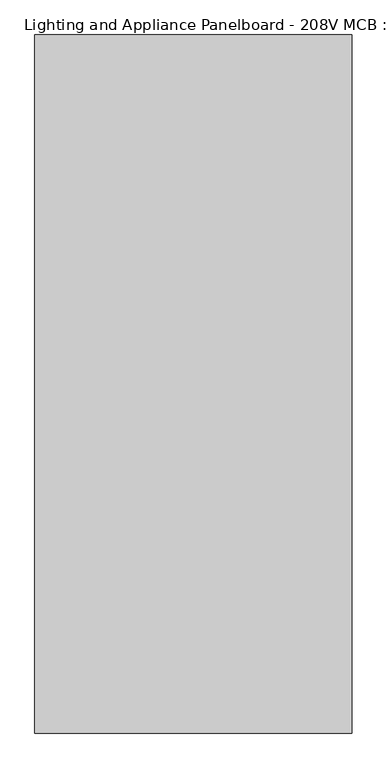
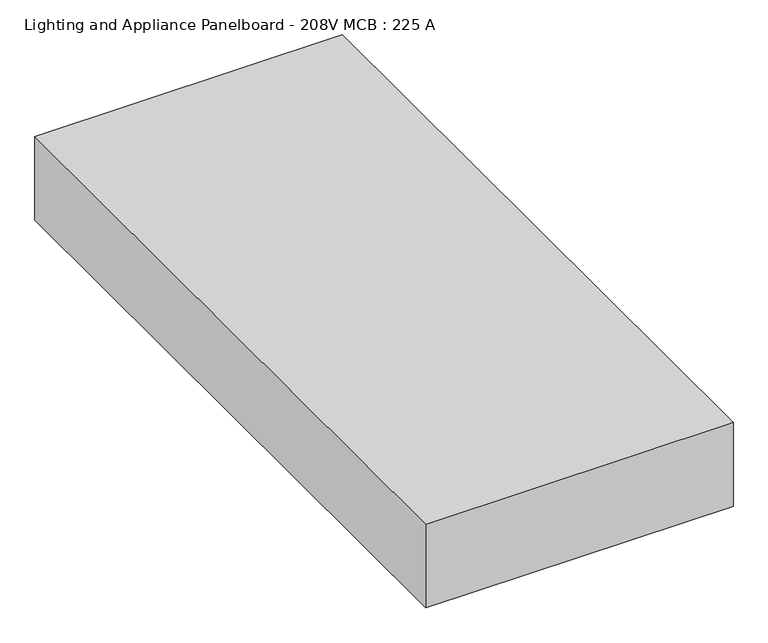
"""IFC4 building model written with IfcOpenShell, lengths in millimetres: proxy geometry, Lighting and Appliance Panelboard - 208V MCB : 225 A."""

from ifc_helpers import new_model, si_unit, frame, origin, place, context, project, spatial, polyline, outline, extrude, source, transform, mapped, element, save


def lighting_and_appliance_panelboard_208v_mcb_225_a_81ab15e7(model_context):
    return source(origin(), model_context, "Body", "SweptSolid", [
        extrude(outline(polyline([(349.2594706, 322.6943297), (349.2594706, -794.9056703), (-158.7405294, -794.9056703), (-158.7405294, 322.6943297), (349.2594706, 322.6943297)])), frame((0.0, 0.0, -146.05), z_axis=(0.0, 0.0, 1.0), x_axis=(1.0, 0.0, 0.0)), (0.0, 0.0, 1.0), 146.05),
    ])


if __name__ == "__main__":
    model = new_model("IFC4")
    model_context = context("Model", 3, world=origin())
    ifc_project = project(units=[si_unit("LENGTHUNIT", "METRE", prefix="MILLI")], contexts=[model_context])
    site = spatial("IfcSite", under=ifc_project)
    building = spatial("IfcBuilding", under=site)
    placement = place(None, origin())
    lighting_and_appliance_panelboard_208v_mcb_225_a_shape = lighting_and_appliance_panelboard_208v_mcb_225_a_81ab15e7(model_context)
    element("IfcBuildingElementProxy", 1, Name="Lighting and Appliance Panelboard - 208V MCB : 225 A", ObjectType="Lighting and Appliance Panelboard - 208V MCB : 225 A", at=placement, inside=building, context=model_context, shape_type="MappedRepresentation", body=[
        mapped(lighting_and_appliance_panelboard_208v_mcb_225_a_shape, transform((0.0, 0.0, 0.0), x_axis=(1.0, 0.0, 0.0), y_axis=(0.0, 1.0, 0.0), z_axis=(0.0, 0.0, 1.0))),
    ])
    save(model, "model.ifc")
